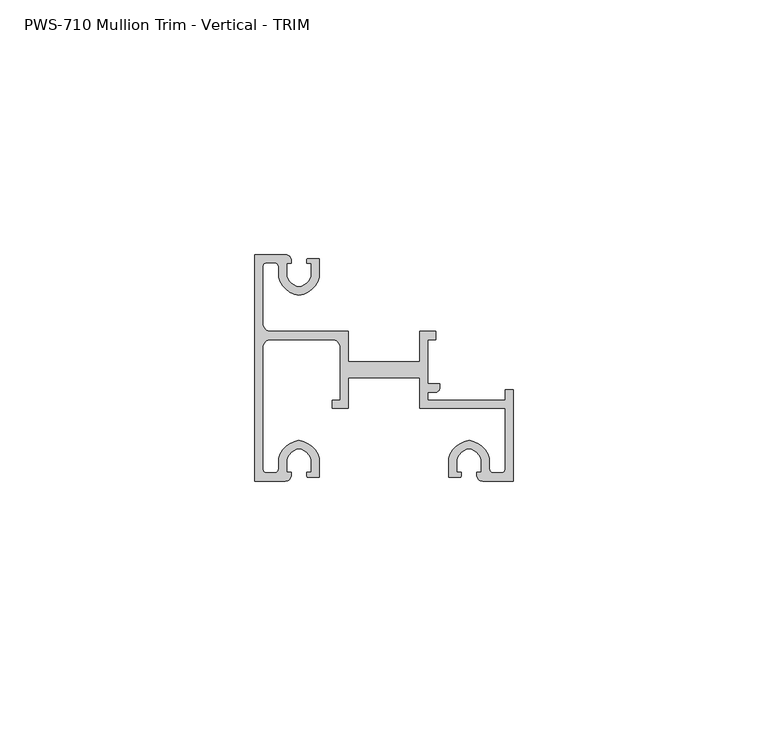
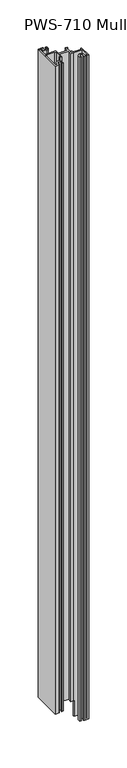
"""IFC4 building model written with IfcOpenShell, lengths in millimetres: proxy geometry, PWS-710 Mullion Trim - Vertical - TRIM."""

import ifcopenshell
import ifcopenshell.guid

model = None  # the IFC model being written
_history = None  # IfcOwnerHistory: only IFC2X3 demands one
_inside = {}  # id of a spatial element -> (the spatial element, [elements in it])
_under = {}  # id of a project, library or spatial element -> (it, [spatial elements below it])
_declared = {}  # id of a project -> (the project, [libraries it declares])
_typed = {}  # id of a type object -> (the type object, [elements of that type])
_made_of = {}  # id of a material, layer set ... -> (it, [elements and type objects made of it])


def new_model(schema):
    """Start an empty IFC model of exactly this schema.

    Asked for "IFC4X3", IfcOpenShell would pick the latest addendum, in which some entities
    have other attributes; the version numbers below select the first issue.
    IFC2X3 requires an IfcOwnerHistory on every rooted entity: one is made here for all.
    """
    global model, _history
    if schema == "IFC4X3":
        model = ifcopenshell.file(schema_version=(4, 3, 0, 0))
    else:
        model = ifcopenshell.file(schema=schema)
    _inside.clear()
    _under.clear()
    _declared.clear()
    _typed.clear()
    _made_of.clear()
    _history = None
    if model.schema == "IFC2X3":
        org = make("IfcOrganization", Name="unknown")
        user = make(
            "IfcPersonAndOrganization",
            ThePerson=make("IfcPerson", FamilyName="unknown"),
            TheOrganization=org,
        )
        app = make(
            "IfcApplication",
            ApplicationDeveloper=org,
            Version="unknown",
            ApplicationFullName="unknown",
            ApplicationIdentifier="unknown",
        )
        _history = make(
            "IfcOwnerHistory",
            OwningUser=user,
            OwningApplication=app,
            ChangeAction="ADDED",
            CreationDate=0,
        )
    return model


def make(cls, **values):
    """One entity of the class cls with the attributes given. An attribute that is None is left unset."""
    return model.create_entity(
        cls, **{name: value for name, value in values.items() if value is not None}
    )


def rooted(cls, **values):
    """An entity with a GlobalId (a new one), such as an element, a storey or a relation."""
    return make(cls, GlobalId=ifcopenshell.guid.new(), OwnerHistory=_history, **values)


def si_unit(unit_type, name, prefix=None):
    """IfcSIUnit, for example si_unit("LENGTHUNIT", "METRE", prefix="MILLI")."""
    return make("IfcSIUnit", UnitType=unit_type, Prefix=prefix, Name=name)


def assignment(units):
    """IfcUnitAssignment: the units of a project."""
    return None if units is None else make("IfcUnitAssignment", Units=units)


def point(xyz):
    """IfcCartesianPoint."""
    return None if xyz is None else make("IfcCartesianPoint", Coordinates=xyz)


def direction(xyz):
    """IfcDirection."""
    return None if xyz is None else make("IfcDirection", DirectionRatios=xyz)


def frame(location, z_axis=None, x_axis=None):
    """IfcAxis2Placement3D, a coordinate frame: its origin and axes. An axis left out is left unset."""
    return make(
        "IfcAxis2Placement3D",
        Location=point(location),
        Axis=direction(z_axis),
        RefDirection=direction(x_axis),
    )


def origin():
    """The frame at (0, 0, 0) with its axes left unset."""
    return frame((0.0, 0.0, 0.0))


def place(relative_to, where):
    """IfcLocalPlacement: puts the frame where relative to a parent placement (None: the world)."""
    return make(
        "IfcLocalPlacement", PlacementRelTo=relative_to, RelativePlacement=where
    )


def context(
    kind, dimensions, precision=None, world=None, true_north=None, identifier=None
):
    """IfcGeometricRepresentationContext, for example the 3D "Model" context."""
    return make(
        "IfcGeometricRepresentationContext",
        ContextIdentifier=identifier,
        ContextType=kind,
        CoordinateSpaceDimension=dimensions,
        Precision=precision,
        WorldCoordinateSystem=world,
        TrueNorth=true_north,
    )


def project(units=None, contexts=None):
    """IfcProject with its units and contexts."""
    return rooted(
        "IfcProject",
        Name="project",
        RepresentationContexts=contexts,
        UnitsInContext=assignment(units),
    )


def spatial(cls, under=None, at=None, **own):
    """A site, building, storey or space (cls), placed at a placement, below another one or the project."""
    s = rooted(cls, ObjectPlacement=at, **own)
    if under is not None:
        _under.setdefault(under.id(), (under, []))[1].append(s)
    return s


def polyline(points):
    """IfcPolyline through the points."""
    return make("IfcPolyline", Points=[point(p) for p in points])


def circle_curve(where, radius):
    """IfcCircle in the frame where."""
    return make("IfcCircle", Position=where, Radius=radius)


def shape(context_of_items, identifier, shape_type, items):
    """IfcShapeRepresentation: the items that make up one representation, for example the "Body"."""
    return make(
        "IfcShapeRepresentation",
        ContextOfItems=context_of_items,
        RepresentationIdentifier=identifier,
        RepresentationType=shape_type,
        Items=items,
    )


def source(mapping_origin, context_of_items, identifier, shape_type, items):
    """IfcRepresentationMap: a shape defined once, which mapped items show again and again."""
    return make(
        "IfcRepresentationMap",
        MappingOrigin=mapping_origin,
        MappedRepresentation=shape(context_of_items, identifier, shape_type, items),
    )


def transform(
    local_origin,
    x_axis=None,
    y_axis=None,
    z_axis=None,
    scale=None,
    scale2=None,
    scale3=None,
    uniform=True,
):
    """IfcCartesianTransformationOperator3D, or its non-uniform kind. x_axis, y_axis, z_axis: its Axis1, 2, 3."""
    if uniform:
        return make(
            "IfcCartesianTransformationOperator3D",
            Axis1=direction(x_axis),
            Axis2=direction(y_axis),
            LocalOrigin=point(local_origin),
            Scale=scale,
            Axis3=direction(z_axis),
        )
    return make(
        "IfcCartesianTransformationOperator3DnonUniform",
        Axis1=direction(x_axis),
        Axis2=direction(y_axis),
        LocalOrigin=point(local_origin),
        Scale=scale,
        Axis3=direction(z_axis),
        Scale2=scale2,
        Scale3=scale3,
    )


def mapped(mapping_source, mapping_target):
    """IfcMappedItem: shows the shape of a source again, moved by a transform."""
    return make(
        "IfcMappedItem", MappingSource=mapping_source, MappingTarget=mapping_target
    )


def made_of(thing, what):
    """Note that an element or type object is made of a material, layer set ...; save() writes the relation."""
    if what is not None:
        _made_of.setdefault(what.id(), (what, []))[1].append(thing)
    return thing


def element(
    cls,
    number,
    at=None,
    inside=None,
    cuts=None,
    type_object=None,
    material=None,
    context=None,
    identifier="Body",
    shape_type=None,
    held_by="IfcProductDefinitionShape",
    body=None,
    shapes=None,
    **own,
):
    """One element of the class cls, such as IfcWall. Its Tag is "e" and its number.

    at: its placement. inside: the storey or other place that contains it. cuts: it is an
    opening in that element (IfcRelVoidsElement). A single representation is given by context,
    identifier, shape_type and body (its items); several are given by shapes. held_by: the class
    of the entity that holds the representations. save() writes the other relations.
    """
    e = rooted(cls, Tag="e%d" % number, ObjectPlacement=at, **own)
    if body is not None:
        shapes = [shape(context, identifier, shape_type, body)]
    if shapes is not None:
        e.Representation = make(held_by, Representations=shapes)
    if inside is not None:
        _inside.setdefault(inside.id(), (inside, []))[1].append(e)
    if cuts is not None:
        rooted(
            "IfcRelVoidsElement", RelatingBuildingElement=cuts, RelatedOpeningElement=e
        )
    if type_object is not None:
        _typed.setdefault(type_object.id(), (type_object, []))[1].append(e)
    return made_of(e, material)


def aggregate(whole, parts):
    """IfcRelAggregates: a whole, such as a stair, and the parts it consists of."""
    return rooted("IfcRelAggregates", RelatingObject=whole, RelatedObjects=parts)


def save(model, path):
    """Write the relations noted so far, then the file.

    IfcRelAggregates (storeys below a building ...), IfcRelContainedInSpatialStructure (elements
    in a storey), IfcRelDefinesByType, IfcRelAssociatesMaterial and IfcRelDeclares: one each for
    every whole, place, type object, material and project.
    """
    for whole, parts in _under.values():
        aggregate(whole, parts)
    for where, things in _inside.values():
        rooted(
            "IfcRelContainedInSpatialStructure",
            RelatedElements=things,
            RelatingStructure=where,
        )
    for kind, things in _typed.values():
        rooted("IfcRelDefinesByType", RelatedObjects=things, RelatingType=kind)
    for what, things in _made_of.values():
        rooted("IfcRelAssociatesMaterial", RelatedObjects=things, RelatingMaterial=what)
    for by, libraries in _declared.values():
        rooted("IfcRelDeclares", RelatingContext=by, RelatedDefinitions=libraries)
    model.write(path)


def plane_surface(at):
    """IfcPlane: the flat surface through the origin of the frame at, square to its z axis."""
    return make("IfcPlane", Position=at)


def cylinder_surface(at, radius):
    """IfcCylindricalSurface: all points at the distance radius from the z axis of the frame at."""
    return make("IfcCylindricalSurface", Position=at, Radius=radius)


def revolved_surface(curve, axis_point, axis_direction):
    """IfcSurfaceOfRevolution: the curve turned about the line through axis_point along axis_direction."""
    return make(
        "IfcSurfaceOfRevolution",
        SweptCurve=make("IfcArbitraryOpenProfileDef", ProfileType="CURVE", Curve=curve),
        AxisPosition=make("IfcAxis1Placement", Location=point(axis_point), Axis=direction(axis_direction)),
    )


def advanced_brep(points, edges, surfaces, faces):
    """IfcAdvancedBrep: a solid bounded by faces that lie on surfaces and meet in shared edges.

    An edge is (start, end): straight between two places in points (the first is 0);
    or (start, end, curve); or (start, end, curve, False) where it runs against its curve.
    A face is (place in surfaces, loops), or (place, loops, False) where it looks against
    its surface's normal. A loop lists edges by number (the first is 1), with a minus sign
    where the edge is run from its end to its start. The first loop is the outer one.
    """
    corners = [point(p) for p in points]
    vertices = [make("IfcVertexPoint", VertexGeometry=c) for c in corners]
    made = []
    for start, end, *more in edges:
        made.append(
            make(
                "IfcEdgeCurve",
                EdgeStart=vertices[start],
                EdgeEnd=vertices[end],
                EdgeGeometry=more[0] if more else make("IfcPolyline", Points=[corners[start], corners[end]]),
                SameSense=more[1] if len(more) > 1 else True,
            )
        )
    hull = []
    for where, loops, *sense in faces:
        bounds = []
        for j, loop in enumerate(loops):
            ring = [make("IfcOrientedEdge", EdgeElement=made[abs(k) - 1], Orientation=k > 0) for k in loop]
            bounds.append(
                make(
                    "IfcFaceOuterBound" if j == 0 else "IfcFaceBound",
                    Bound=make("IfcEdgeLoop", EdgeList=ring),
                    Orientation=True,
                )
            )
        hull.append(make("IfcAdvancedFace", Bounds=bounds, FaceSurface=surfaces[where], SameSense=sense[0] if sense else True))
    return make("IfcAdvancedBrep", Outer=make("IfcClosedShell", CfsFaces=hull))


def pws_710_mullion_trim_vertical_trim_b07599a5(model_context):
    return source(origin(), model_context, "Body", "AdvancedBrep", [
        advanced_brep(
        [(1.5875, 30.95625, 1063.9226562), (1.5875, 42.06748, 1063.9226562), (2.38252, 42.8625, 1063.9226562), (3.90398, 42.8625, 1063.9226562), (4.699, 42.06748, 1063.9226562), (4.699, 40.0142401, 1063.9226562), (8.6995, 36.4914739, 1063.9226562), (12.7, 40.0142401, 1063.9226562), (12.7, 43.688, 1063.9226562), (10.3627194, 43.688, 1063.9226562), (10.2659469, 42.7502912, 1063.9226562), (11.1125, 42.7502912, 1063.9226562), (11.1125, 40.242076, 1063.9226562), (8.6995, 38.1, 1063.9226562), (6.2865, 40.242076, 1063.9226562), (6.2865, 42.7502912, 1063.9226562), (7.1755, 42.7502912, 1063.9226562), (7.1755, 43.5416341, 1063.9226562), (6.0569064, 44.45, 1063.9226562), (0.0, 44.45, 1063.9226562), (0.0, 0.0, 1063.9226562), (6.0569064, 0.0, 1063.9226562), (7.1755, 0.9083659, 1063.9226562), (7.1755, 1.6997088, 1063.9226562), (6.2865, 1.6997088, 1063.9226562), (6.2865, 4.207924, 1063.9226562), (8.6995, 6.35, 1063.9226562), (11.1125, 4.207924, 1063.9226562), (11.1125, 1.6997088, 1063.9226562), (10.2659469, 1.6997088, 1063.9226562), (10.3627194, 0.762, 1063.9226562), (12.7, 0.762, 1063.9226562), (12.7, 4.4357599, 1063.9226562), (8.6995, 7.9585261, 1063.9226562), (4.699, 4.4357599, 1063.9226562), (4.699, 2.38252, 1063.9226562), (3.90398, 1.5875, 1063.9226562), (2.38252, 1.5875, 1063.9226562), (1.5875, 2.38252, 1063.9226562), (1.5875, 26.19375, 1063.9226562), (3.175, 27.78125, 1063.9226562), (15.24, 27.78125, 1063.9226562), (16.8275, 26.19375, 1063.9226562), (16.8275, 15.8792752, 1063.9226562), (15.24, 15.8792752, 1063.9226562), (15.24, 14.2917752, 1063.9226562), (18.415, 14.2917752, 1063.9226562), (18.415, 20.2427626, 1063.9226562), (32.385, 20.2427626, 1063.9226562), (32.385, 14.2917752, 1063.9226562), (35.56, 14.2917752, 1063.9226562), (49.2125, 14.2917752, 1063.9226562), (49.2125, 2.38252, 1063.9226562), (48.41748, 1.5875, 1063.9226562), (46.89602, 1.5875, 1063.9226562), (46.101, 2.38252, 1063.9226562), (46.101, 4.4357599, 1063.9226562), (42.1005, 7.9585261, 1063.9226562), (38.1, 4.4357599, 1063.9226562), (38.1, 0.762, 1063.9226562), (40.4372806, 0.762, 1063.9226562), (40.5340531, 1.6997088, 1063.9226562), (39.6875, 1.6997088, 1063.9226562), (39.6875, 4.207924, 1063.9226562), (42.1005, 6.35, 1063.9226562), (44.5135, 4.207924, 1063.9226562), (44.5135, 1.6997088, 1063.9226562), (43.6245, 1.6997088, 1063.9226562), (43.6245, 0.9083659, 1063.9226562), (44.7430936, 0.0, 1063.9226562), (50.8, 0.0, 1063.9226562), (50.8, 17.907, 1063.9226562), (49.2125, 17.907, 1063.9226562), (49.2125, 15.875, 1063.9226562), (34.76625, 15.875, 1063.9226562), (33.9725, 15.875, 1063.9226562), (33.9725, 17.4625, 1063.9226562), (35.56, 17.4625, 1063.9226562), (36.35502, 18.25752, 1063.9226562), (36.35502, 19.05, 1063.9226562), (33.9725, 19.05, 1063.9226562), (33.9725, 27.78125, 1063.9226562), (35.56, 27.78125, 1063.9226562), (35.56, 29.36875, 1063.9226562), (32.385, 29.36875, 1063.9226562), (32.385, 23.4177626, 1063.9226562), (18.415, 23.4177626, 1063.9226562), (18.415, 29.36875, 1063.9226562), (3.175, 29.36875, 1063.9226562), (49.2125, 15.875, 0.0), (49.2125, 17.907, 0.0), (50.8, 17.907, 0.0), (50.8, 0.0, 0.0), (44.7430936, 0.0, 0.0), (43.6245, 0.9083659, 0.0), (43.6245, 1.6997088, 0.0), (44.5135, 1.6997088, 0.0), (44.5135, 4.207924, 0.0), (42.1005, 6.35, 0.0), (39.6875, 4.207924, 0.0), (39.6875, 1.6997088, 0.0), (40.5340531, 1.6997088, 0.0), (40.4372806, 0.762, 0.0), (38.1, 0.762, 0.0), (38.1, 4.4357599, 0.0), (42.1005, 7.9585261, 0.0), (46.101, 4.4357599, 0.0), (46.101, 2.38252, 0.0), (46.89602, 1.5875, 0.0), (48.41748, 1.5875, 0.0), (49.2125, 2.38252, 0.0), (49.2125, 14.2917752, 0.0), (37.1376502, 14.2917752, 0.0), (37.1376502, 15.875, 0.0), (1.5875, 30.95625, 25.4), (1.5875, 42.06748, 25.4), (2.38252, 42.8625, 25.4), (3.90398, 42.8625, 25.4), (4.699, 42.06748, 25.4), (4.699, 40.0142401, 25.4), (8.6995, 36.4914739, 25.4), (12.7, 40.0142401, 25.4), (12.7, 43.688, 25.4), (10.3627194, 43.688, 25.4), (10.2659469, 42.7502912, 25.4), (11.1125, 42.7502912, 25.4), (11.1125, 40.242076, 25.4), (8.6995, 38.1, 25.4), (6.2865, 40.242076, 25.4), (6.2865, 42.7502912, 25.4), (7.1755, 42.7502912, 25.4), (7.1755, 43.5416341, 25.4), (6.0569064, 44.45, 25.4), (0.0, 44.45, 25.4), (0.0, 0.0, 25.4), (6.0569064, 0.0, 25.4), (7.1755, 0.9083659, 25.4), (7.1755, 1.6997088, 25.4), (6.2865, 1.6997088, 25.4), (6.2865, 4.207924, 25.4), (8.6995, 6.35, 25.4), (11.1125, 4.207924, 25.4), (11.1125, 1.6997088, 25.4), (10.2659469, 1.6997088, 25.4), (10.3627194, 0.762, 25.4), (12.7, 0.762, 25.4), (12.7, 4.4357599, 25.4), (8.6995, 7.9585261, 25.4), (4.699, 4.4357599, 25.4), (4.699, 2.38252, 25.4), (3.90398, 1.5875, 25.4), (2.38252, 1.5875, 25.4), (1.5875, 2.38252, 25.4), (1.5875, 26.19375, 25.4), (3.175, 27.78125, 25.4), (15.24, 27.78125, 25.4), (16.8275, 26.19375, 25.4), (16.8275, 15.8792752, 25.4), (15.24, 15.8792752, 25.4), (15.24, 14.2917752, 25.4), (18.415, 14.2917752, 25.4), (18.415, 20.2427626, 25.4), (32.385, 20.2427626, 25.4), (32.385, 14.2917752, 25.4), (35.56, 14.2917752, 25.4), (37.1376502, 14.2917752, 25.4), (37.1376502, 15.875, 25.4), (34.76625, 15.875, 25.4), (33.9725, 15.875, 25.4), (33.9725, 17.4625, 25.4), (35.56, 17.4625, 25.4), (36.35502, 18.25752, 25.4), (36.35502, 19.05, 25.4), (33.9725, 19.05, 25.4), (33.9725, 27.78125, 25.4), (35.56, 27.78125, 25.4), (35.56, 29.36875, 25.4), (32.385, 29.36875, 25.4), (32.385, 23.4177626, 25.4), (18.415, 23.4177626, 25.4), (18.415, 29.36875, 25.4), (3.175, 29.36875, 25.4)],
        [
            (0, 1),
            (1, 2, circle_curve(frame((2.38252, 42.06748, 1063.9226562), z_axis=(0.0, 0.0, -1.0), x_axis=(-1.0, 1.8160836696718075e-12, 0.0)), 0.79502)),
            (2, 3),
            (3, 4, circle_curve(frame((3.90398, 42.06748, 1063.9226562), z_axis=(0.0, 0.0, -1.0), x_axis=(-1.8302718233411445e-12, 1.0, 0.0)), 0.79502)),
            (4, 5),
            (5, 6, circle_curve(frame((9.3305673, 41.2410159, 1063.9226562), z_axis=(0.0, 0.0, 1.0), x_axis=(0.0, -1.0, 0.0)), 4.7912832)),
            (6, 7, circle_curve(frame((8.0684327, 41.2410159, 1063.9226562), z_axis=(0.0, 0.0, 1.0), x_axis=(0.0, -1.0, 0.0)), 4.7912832)),
            (7, 8),
            (8, 9),
            (9, 10, circle_curve(frame((11.3244879, 43.1148966, 1063.9226562), z_axis=(0.0, 0.0, 1.0), x_axis=(0.0, -1.0, 0.0)), 1.1195742)),
            (10, 11),
            (11, 12),
            (12, 13, circle_curve(frame((8.0684327, 41.2410159, 1063.9226562), z_axis=(0.0, 0.0, -1.0), x_axis=(0.0, -1.0, 0.0)), 3.2037832)),
            (13, 14, circle_curve(frame((9.3305673, 41.2410159, 1063.9226562), z_axis=(0.0, 0.0, -1.0), x_axis=(0.0, -1.0, 0.0)), 3.2037832)),
            (14, 15),
            (15, 16),
            (16, 17),
            (17, 18, circle_curve(frame((6.0569064, 43.3070794, 1063.9226562), z_axis=(0.0, 0.0, 1.0), x_axis=(0.0, -1.0, 0.0)), 1.1429206)),
            (18, 19),
            (19, 20),
            (20, 21),
            (21, 22, circle_curve(frame((6.0569064, 1.1429206, 1063.9226562), z_axis=(0.0, 0.0, 1.0), x_axis=(0.0, 1.0, 0.0)), 1.1429206)),
            (22, 23),
            (23, 24),
            (24, 25),
            (25, 26, circle_curve(frame((9.3305673, 3.2089841, 1063.9226562), z_axis=(0.0, 0.0, -1.0), x_axis=(0.0, 1.0, 0.0)), 3.2037832)),
            (26, 27, circle_curve(frame((8.0684327, 3.2089841, 1063.9226562), z_axis=(0.0, 0.0, -1.0), x_axis=(0.0, 1.0, 0.0)), 3.2037832)),
            (27, 28),
            (28, 29),
            (29, 30, circle_curve(frame((11.3244879, 1.3351034, 1063.9226562), z_axis=(0.0, 0.0, 1.0), x_axis=(0.0, 1.0, 0.0)), 1.1195742)),
            (30, 31),
            (31, 32),
            (32, 33, circle_curve(frame((8.0684327, 3.2089841, 1063.9226562), z_axis=(0.0, 0.0, 1.0), x_axis=(0.0, 1.0, 0.0)), 4.7912832)),
            (33, 34, circle_curve(frame((9.3305673, 3.2089841, 1063.9226562), z_axis=(0.0, 0.0, 1.0), x_axis=(0.0, 1.0, 0.0)), 4.7912832)),
            (34, 35),
            (35, 36, circle_curve(frame((3.90398, 2.38252, 1063.9226562), z_axis=(0.0, 0.0, -1.0), x_axis=(1.0, -1.8160836696718075e-12, 0.0)), 0.79502)),
            (36, 37),
            (37, 38, circle_curve(frame((2.38252, 2.38252, 1063.9226562), z_axis=(0.0, 0.0, -1.0), x_axis=(1.8160836696718075e-12, -1.0, 0.0)), 0.79502)),
            (38, 39),
            (39, 40, circle_curve(frame((3.175, 26.19375, 1063.9226562), z_axis=(0.0, 0.0, -1.0), x_axis=(-1.0, 0.0, 0.0)), 1.5875)),
            (40, 41),
            (41, 42, circle_curve(frame((15.24, 26.19375, 1063.9226562), z_axis=(0.0, 0.0, -1.0), x_axis=(0.0, 1.0, 0.0)), 1.5875)),
            (42, 43),
            (43, 44),
            (44, 45),
            (45, 46),
            (46, 47),
            (47, 48),
            (48, 49),
            (49, 50),
            (50, 51),
            (51, 52),
            (52, 53, circle_curve(frame((48.41748, 2.38252, 1063.9226562), z_axis=(0.0, 0.0, -1.0), x_axis=(1.0, -1.8160836696718075e-12, 0.0)), 0.79502)),
            (53, 54),
            (54, 55, circle_curve(frame((46.89602, 2.38252, 1063.9226562), z_axis=(0.0, 0.0, -1.0), x_axis=(1.8160836696718075e-12, -1.0, 0.0)), 0.79502)),
            (55, 56),
            (56, 57, circle_curve(frame((41.4694327, 3.2089841, 1063.9226562), z_axis=(0.0, 0.0, 1.0), x_axis=(0.0, 1.0, 0.0)), 4.7912832)),
            (57, 58, circle_curve(frame((42.7315673, 3.2089841, 1063.9226562), z_axis=(0.0, 0.0, 1.0), x_axis=(0.0, 1.0, 0.0)), 4.7912832)),
            (58, 59),
            (59, 60),
            (60, 61, circle_curve(frame((39.4755121, 1.3351034, 1063.9226562), z_axis=(0.0, 0.0, 1.0), x_axis=(0.0, 1.0, 0.0)), 1.1195742)),
            (61, 62),
            (62, 63),
            (63, 64, circle_curve(frame((42.7315673, 3.2089841, 1063.9226562), z_axis=(0.0, 0.0, -1.0), x_axis=(0.0, 1.0, 0.0)), 3.2037832)),
            (64, 65, circle_curve(frame((41.4694327, 3.2089841, 1063.9226562), z_axis=(0.0, 0.0, -1.0), x_axis=(0.0, 1.0, 0.0)), 3.2037832)),
            (65, 66),
            (66, 67),
            (67, 68),
            (68, 69, circle_curve(frame((44.7430936, 1.1429206, 1063.9226562), z_axis=(0.0, 0.0, 1.0), x_axis=(0.0, 1.0, 0.0)), 1.1429206)),
            (69, 70),
            (70, 71),
            (71, 72),
            (72, 73),
            (73, 74),
            (74, 75),
            (75, 76),
            (76, 77),
            (77, 78, circle_curve(frame((35.56, 18.25752, 1063.9226562), z_axis=(0.0, 0.0, 1.0), x_axis=(-1.8160836696718075e-12, -1.0, 0.0)), 0.79502)),
            (78, 79),
            (79, 80),
            (80, 81),
            (81, 82),
            (82, 83),
            (83, 84),
            (84, 85),
            (85, 86),
            (86, 87),
            (87, 88),
            (88, 0, circle_curve(frame((3.175, 30.95625, 1063.9226562), z_axis=(0.0, 0.0, -1.0), x_axis=(0.0, -1.0, 0.0)), 1.5875)),
            (89, 90),
            (90, 91),
            (91, 92),
            (92, 93),
            (93, 94, circle_curve(frame((44.7430936, 1.1429206, 0.0), z_axis=(0.0, 0.0, -1.0), x_axis=(0.0, 1.0, 0.0)), 1.1429206)),
            (94, 95),
            (95, 96),
            (96, 97),
            (97, 98, circle_curve(frame((41.4694327, 3.2089841, 0.0), z_axis=(0.0, 0.0, 1.0), x_axis=(0.0, 1.0, 0.0)), 3.2037832)),
            (98, 99, circle_curve(frame((42.7315673, 3.2089841, 0.0), z_axis=(0.0, 0.0, 1.0), x_axis=(0.0, 1.0, 0.0)), 3.2037832)),
            (99, 100),
            (100, 101),
            (101, 102, circle_curve(frame((39.4755121, 1.3351034, 0.0), z_axis=(0.0, 0.0, -1.0), x_axis=(0.0, 1.0, 0.0)), 1.1195742)),
            (102, 103),
            (103, 104),
            (104, 105, circle_curve(frame((42.7315673, 3.2089841, 0.0), z_axis=(0.0, 0.0, -1.0), x_axis=(0.0, 1.0, 0.0)), 4.7912832)),
            (105, 106, circle_curve(frame((41.4694327, 3.2089841, 0.0), z_axis=(0.0, 0.0, -1.0), x_axis=(0.0, 1.0, 0.0)), 4.7912832)),
            (106, 107),
            (107, 108, circle_curve(frame((46.89602, 2.38252, 0.0), z_axis=(0.0, 0.0, 1.0), x_axis=(1.8160836696718075e-12, -1.0, 0.0)), 0.79502)),
            (108, 109),
            (109, 110, circle_curve(frame((48.41748, 2.38252, 0.0), z_axis=(0.0, 0.0, 1.0), x_axis=(1.0, -1.8160836696718075e-12, 0.0)), 0.79502)),
            (110, 111),
            (111, 112),
            (112, 113),
            (113, 89),
            (0, 114),
            (114, 115),
            (115, 1),
            (115, 116, circle_curve(frame((2.38252, 42.06748, 25.4), z_axis=(0.0, 0.0, -1.0), x_axis=(-1.0, 1.8160836696718075e-12, 0.0)), 0.79502)),
            (116, 2),
            (116, 117),
            (117, 3),
            (117, 118, circle_curve(frame((3.90398, 42.06748, 25.4), z_axis=(0.0, 0.0, -1.0), x_axis=(-1.8302718233411445e-12, 1.0, 0.0)), 0.79502)),
            (118, 4),
            (118, 119),
            (119, 5),
            (119, 120, circle_curve(frame((9.3305673, 41.2410159, 25.4), z_axis=(0.0, 0.0, 1.0), x_axis=(0.0, -1.0, 0.0)), 4.7912832)),
            (120, 6),
            (120, 121, circle_curve(frame((8.0684327, 41.2410159, 25.4), z_axis=(0.0, 0.0, 1.0), x_axis=(0.0, -1.0, 0.0)), 4.7912832)),
            (121, 7),
            (121, 122),
            (122, 8),
            (122, 123),
            (123, 9),
            (123, 124, circle_curve(frame((11.3244879, 43.1148966, 25.4), z_axis=(0.0, 0.0, 1.0), x_axis=(0.0, -1.0, 0.0)), 1.1195742)),
            (124, 10),
            (124, 125),
            (125, 11),
            (125, 126),
            (126, 12),
            (126, 127, circle_curve(frame((8.0684327, 41.2410159, 25.4), z_axis=(0.0, 0.0, -1.0), x_axis=(0.0, -1.0, 0.0)), 3.2037832)),
            (127, 13),
            (127, 128, circle_curve(frame((9.3305673, 41.2410159, 25.4), z_axis=(0.0, 0.0, -1.0), x_axis=(0.0, -1.0, 0.0)), 3.2037832)),
            (128, 14),
            (128, 129),
            (129, 15),
            (129, 130),
            (130, 16),
            (130, 131),
            (131, 17),
            (131, 132, circle_curve(frame((6.0569064, 43.3070794, 25.4), z_axis=(0.0, 0.0, 1.0), x_axis=(0.0, -1.0, 0.0)), 1.1429206)),
            (132, 18),
            (132, 133),
            (133, 19),
            (133, 134),
            (134, 20),
            (134, 135),
            (135, 21),
            (135, 136, circle_curve(frame((6.0569064, 1.1429206, 25.4), z_axis=(0.0, 0.0, 1.0), x_axis=(0.0, 1.0, 0.0)), 1.1429206)),
            (136, 22),
            (136, 137),
            (137, 23),
            (137, 138),
            (138, 24),
            (138, 139),
            (139, 25),
            (139, 140, circle_curve(frame((9.3305673, 3.2089841, 25.4), z_axis=(0.0, 0.0, -1.0), x_axis=(0.0, 1.0, 0.0)), 3.2037832)),
            (140, 26),
            (140, 141, circle_curve(frame((8.0684327, 3.2089841, 25.4), z_axis=(0.0, 0.0, -1.0), x_axis=(0.0, 1.0, 0.0)), 3.2037832)),
            (141, 27),
            (141, 142),
            (142, 28),
            (142, 143),
            (143, 29),
            (143, 144, circle_curve(frame((11.3244879, 1.3351034, 25.4), z_axis=(0.0, 0.0, 1.0), x_axis=(0.0, 1.0, 0.0)), 1.1195742)),
            (144, 30),
            (144, 145),
            (145, 31),
            (145, 146),
            (146, 32),
            (146, 147, circle_curve(frame((8.0684327, 3.2089841, 25.4), z_axis=(0.0, 0.0, 1.0), x_axis=(0.0, 1.0, 0.0)), 4.7912832)),
            (147, 33),
            (147, 148, circle_curve(frame((9.3305673, 3.2089841, 25.4), z_axis=(0.0, 0.0, 1.0), x_axis=(0.0, 1.0, 0.0)), 4.7912832)),
            (148, 34),
            (148, 149),
            (149, 35),
            (149, 150, circle_curve(frame((3.90398, 2.38252, 25.4), z_axis=(0.0, 0.0, -1.0), x_axis=(1.0, -1.8160836696718075e-12, 0.0)), 0.79502)),
            (150, 36),
            (150, 151),
            (151, 37),
            (151, 152, circle_curve(frame((2.38252, 2.38252, 25.4), z_axis=(0.0, 0.0, -1.0), x_axis=(1.8160836696718075e-12, -1.0, 0.0)), 0.79502)),
            (152, 38),
            (152, 153),
            (153, 39),
            (153, 154, circle_curve(frame((3.175, 26.19375, 25.4), z_axis=(0.0, 0.0, -1.0), x_axis=(-1.0, 0.0, 0.0)), 1.5875)),
            (154, 40),
            (154, 155),
            (155, 41),
            (155, 156, circle_curve(frame((15.24, 26.19375, 25.4), z_axis=(0.0, 0.0, -1.0), x_axis=(0.0, 1.0, 0.0)), 1.5875)),
            (156, 42),
            (156, 157),
            (157, 43),
            (157, 158),
            (158, 44),
            (158, 159),
            (159, 45),
            (159, 160),
            (160, 46),
            (160, 161),
            (161, 47),
            (161, 162),
            (162, 48),
            (162, 163),
            (163, 49),
            (163, 164),
            (164, 50),
            (164, 165),
            (165, 112),
            (111, 51),
            (110, 52),
            (109, 53),
            (108, 54),
            (107, 55),
            (106, 56),
            (105, 57),
            (104, 58),
            (103, 59),
            (102, 60),
            (101, 61),
            (100, 62),
            (99, 63),
            (98, 64),
            (97, 65),
            (96, 66),
            (95, 67),
            (94, 68),
            (93, 69),
            (92, 70),
            (91, 71),
            (90, 72),
            (89, 73),
            (113, 166),
            (166, 167),
            (167, 74),
            (167, 168),
            (168, 75),
            (168, 169),
            (169, 76),
            (169, 170),
            (170, 77),
            (170, 171, circle_curve(frame((35.56, 18.25752, 25.4), z_axis=(0.0, 0.0, 1.0), x_axis=(-1.8160836696718075e-12, -1.0, 0.0)), 0.79502)),
            (171, 78),
            (171, 172),
            (172, 79),
            (172, 173),
            (173, 80),
            (173, 174),
            (174, 81),
            (174, 175),
            (175, 82),
            (175, 176),
            (176, 83),
            (176, 177),
            (177, 84),
            (177, 178),
            (178, 85),
            (178, 179),
            (179, 86),
            (179, 180),
            (180, 87),
            (180, 181),
            (181, 88),
            (181, 114, circle_curve(frame((3.175, 30.95625, 25.4), z_axis=(0.0, 0.0, -1.0), x_axis=(0.0, -1.0, 0.0)), 1.5875)),
            (165, 166),
        ],
        [
            plane_surface(frame((1.5875, 30.95625, 1063.9226562), z_axis=(0.0, 0.0, 1.0), x_axis=(0.0, 1.0, 0.0))),
            plane_surface(frame((1.5875, 30.95625, 0.0), z_axis=(0.0, 0.0, -1.0), x_axis=(0.0, -1.0, 0.0))),
            plane_surface(frame((1.5875, 30.95625, 1063.9226562), z_axis=(1.0, 0.0, 0.0), x_axis=(0.0, 0.0, -1.0))),
            revolved_surface(polyline([(1.5875, 42.067480000001446, 25.4), (1.5875, 42.067480000001446, 1063.9226562)]), (2.38252, 42.06748, 0.0), (0.0, 0.0, -1.0)),
            plane_surface(frame((2.38252, 42.8625, 1063.9226562), z_axis=(0.0, -1.0, 0.0), x_axis=(0.0, 0.0, -1.0))),
            revolved_surface(polyline([(3.9039799999985445, 42.862500000000004, 25.4), (3.9039799999985445, 42.862500000000004, 1063.9226562)]), (3.90398, 42.06748, 0.0), (0.0, 0.0, -1.0)),
            plane_surface(frame((4.699, 42.06748, 1063.9226562), z_axis=(-1.0, 0.0, 0.0), x_axis=(0.0, 0.0, -1.0))),
            cylinder_surface(frame((9.3305673, 41.2410159, 0.0), z_axis=(0.0, 0.0, 1.0), x_axis=(0.0, -1.0, 0.0)), 4.7912832),
            cylinder_surface(frame((8.0684327, 41.2410159, 0.0), z_axis=(0.0, 0.0, 1.0), x_axis=(0.0, -1.0, 0.0)), 4.7912832),
            plane_surface(frame((12.7, 40.0142401, 1063.9226562), z_axis=(1.0, 0.0, 0.0), x_axis=(0.0, 0.0, -1.0))),
            plane_surface(frame((12.7, 43.688, 1063.9226562), z_axis=(0.0, 1.0, 0.0), x_axis=(0.0, 0.0, -1.0))),
            cylinder_surface(frame((11.3244879, 43.1148966, 0.0), z_axis=(0.0, 0.0, 1.0), x_axis=(0.0, -1.0, 0.0)), 1.1195742),
            plane_surface(frame((10.2659469, 42.7502912, 1063.9226562), z_axis=(0.0, -1.0, 0.0), x_axis=(0.0, 0.0, -1.0))),
            plane_surface(frame((11.1125, 42.7502912, 1063.9226562), z_axis=(-1.0, 0.0, 0.0), x_axis=(0.0, 0.0, -1.0))),
            revolved_surface(polyline([(8.0684327, 38.037232700000004, 25.4), (8.0684327, 38.037232700000004, 1063.9226562)]), (8.0684327, 41.2410159, 0.0), (0.0, 0.0, -1.0)),
            revolved_surface(polyline([(9.3305673, 38.037232700000004, 25.4), (9.3305673, 38.037232700000004, 1063.9226562)]), (9.3305673, 41.2410159, 0.0), (0.0, 0.0, -1.0)),
            plane_surface(frame((6.2865, 40.242076, 1063.9226562), z_axis=(1.0, 0.0, 0.0), x_axis=(0.0, 0.0, -1.0))),
            plane_surface(frame((6.2865, 42.7502912, 1063.9226562), z_axis=(0.0, -1.0, 0.0), x_axis=(0.0, 0.0, -1.0))),
            plane_surface(frame((7.1755, 42.7502912, 1063.9226562), z_axis=(1.0, 0.0, 0.0), x_axis=(0.0, 0.0, -1.0))),
            cylinder_surface(frame((6.0569064, 43.3070794, 0.0), z_axis=(0.0, 0.0, 1.0), x_axis=(0.0, -1.0, 0.0)), 1.1429206),
            plane_surface(frame((6.0569064, 44.45, 1063.9226562), z_axis=(0.0, 1.0, 0.0), x_axis=(0.0, 0.0, -1.0))),
            plane_surface(frame((0.0, 44.45, 1063.9226562), z_axis=(-1.0, 0.0, 0.0), x_axis=(0.0, 0.0, -1.0))),
            plane_surface(frame((0.0, 0.0, 1063.9226562), z_axis=(0.0, -1.0, 0.0), x_axis=(0.0, 0.0, -1.0))),
            cylinder_surface(frame((6.0569064, 1.1429206, 0.0), z_axis=(0.0, 0.0, 1.0), x_axis=(0.0, 1.0, 0.0)), 1.1429206),
            plane_surface(frame((7.1755, 0.9083659, 1063.9226562), z_axis=(1.0, 0.0, 0.0), x_axis=(0.0, 0.0, -1.0))),
            plane_surface(frame((7.1755, 1.6997088, 1063.9226562), z_axis=(0.0, 1.0, 0.0), x_axis=(0.0, 0.0, -1.0))),
            plane_surface(frame((6.2865, 1.6997088, 1063.9226562), z_axis=(1.0, 0.0, 0.0), x_axis=(0.0, 0.0, -1.0))),
            revolved_surface(polyline([(9.3305673, 6.4127673000000005, 25.4), (9.3305673, 6.4127673000000005, 1063.9226562)]), (9.3305673, 3.2089841, 0.0), (0.0, 0.0, -1.0)),
            revolved_surface(polyline([(8.0684327, 6.4127673000000005, 25.4), (8.0684327, 6.4127673000000005, 1063.9226562)]), (8.0684327, 3.2089841, 0.0), (0.0, 0.0, -1.0)),
            plane_surface(frame((11.1125, 4.207924, 1063.9226562), z_axis=(-1.0, 0.0, 0.0), x_axis=(0.0, 0.0, -1.0))),
            plane_surface(frame((11.1125, 1.6997088, 1063.9226562), z_axis=(0.0, 1.0, 0.0), x_axis=(0.0, 0.0, -1.0))),
            cylinder_surface(frame((11.3244879, 1.3351034, 0.0), z_axis=(0.0, 0.0, 1.0), x_axis=(0.0, 1.0, 0.0)), 1.1195742),
            plane_surface(frame((10.3627194, 0.762, 1063.9226562), z_axis=(0.0, -1.0, 0.0), x_axis=(0.0, 0.0, -1.0))),
            plane_surface(frame((12.7, 0.762, 1063.9226562), z_axis=(1.0, 0.0, 0.0), x_axis=(0.0, 0.0, -1.0))),
            cylinder_surface(frame((8.0684327, 3.2089841, 0.0), z_axis=(0.0, 0.0, 1.0), x_axis=(0.0, 1.0, 0.0)), 4.7912832),
            cylinder_surface(frame((9.3305673, 3.2089841, 0.0), z_axis=(0.0, 0.0, 1.0), x_axis=(0.0, 1.0, 0.0)), 4.7912832),
            plane_surface(frame((4.699, 4.4357599, 1063.9226562), z_axis=(-1.0, 0.0, 0.0), x_axis=(0.0, 0.0, -1.0))),
            revolved_surface(polyline([(4.699, 2.3825199999985562, 25.4), (4.699, 2.3825199999985562, 1063.9226562)]), (3.90398, 2.38252, 0.0), (0.0, 0.0, -1.0)),
            plane_surface(frame((3.90398, 1.5875, 1063.9226562), z_axis=(0.0, 1.0, 0.0), x_axis=(0.0, 0.0, -1.0))),
            revolved_surface(polyline([(2.3825200000014437, 1.5875, 25.4), (2.3825200000014437, 1.5875, 1063.9226562)]), (2.38252, 2.38252, 0.0), (0.0, 0.0, -1.0)),
            plane_surface(frame((1.5875, 2.38252, 1063.9226562), z_axis=(1.0, 0.0, 0.0), x_axis=(0.0, 0.0, -1.0))),
            revolved_surface(polyline([(1.5875, 26.19375, 25.4), (1.5875, 26.19375, 1063.9226562)]), (3.175, 26.19375, 0.0), (0.0, 0.0, -1.0)),
            plane_surface(frame((3.175, 27.78125, 1063.9226562), z_axis=(0.0, -1.0, 0.0), x_axis=(0.0, 0.0, -1.0))),
            revolved_surface(polyline([(15.24, 27.78125, 25.4), (15.24, 27.78125, 1063.9226562)]), (15.24, 26.19375, 0.0), (0.0, 0.0, -1.0)),
            plane_surface(frame((16.8275, 26.19375, 1063.9226562), z_axis=(-1.0, 0.0, 0.0), x_axis=(0.0, 0.0, -1.0))),
            plane_surface(frame((16.8275, 15.8792752, 1063.9226562), z_axis=(0.0, 1.0, 0.0), x_axis=(0.0, 0.0, -1.0))),
            plane_surface(frame((15.24, 15.8792752, 1063.9226562), z_axis=(-1.0, 0.0, 0.0), x_axis=(0.0, 0.0, -1.0))),
            plane_surface(frame((15.24, 14.2917752, 1063.9226562), z_axis=(0.0, -1.0, 0.0), x_axis=(0.0, 0.0, -1.0))),
            plane_surface(frame((18.415, 14.2917752, 1063.9226562), z_axis=(1.0, 0.0, 0.0), x_axis=(0.0, 0.0, -1.0))),
            plane_surface(frame((18.415, 20.2427626, 1063.9226562), z_axis=(0.0, -1.0, 0.0), x_axis=(0.0, 0.0, -1.0))),
            plane_surface(frame((32.385, 20.2427626, 1063.9226562), z_axis=(-1.0, 0.0, 0.0), x_axis=(0.0, 0.0, -1.0))),
            plane_surface(frame((32.385, 14.2917752, 1063.9226562), z_axis=(0.0, -1.0, 0.0), x_axis=(0.0, 0.0, -1.0))),
            plane_surface(frame((35.56, 14.2917752, 1063.9226562), z_axis=(0.0, -1.0, 0.0), x_axis=(0.0, 0.0, -1.0))),
            plane_surface(frame((49.2125, 14.2917752, 1063.9226562), z_axis=(-1.0, 0.0, 0.0), x_axis=(0.0, 0.0, -1.0))),
            revolved_surface(polyline([(49.2125, 2.3825199999985562, 0.0), (49.2125, 2.3825199999985562, 1063.9226562)]), (48.41748, 2.38252, 0.0), (0.0, 0.0, -1.0)),
            plane_surface(frame((48.41748, 1.5875, 1063.9226562), z_axis=(0.0, 1.0, 0.0), x_axis=(0.0, 0.0, -1.0))),
            revolved_surface(polyline([(46.89602000000144, 1.5875, 0.0), (46.89602000000144, 1.5875, 1063.9226562)]), (46.89602, 2.38252, 0.0), (0.0, 0.0, -1.0)),
            plane_surface(frame((46.101, 2.38252, 1063.9226562), z_axis=(1.0, 0.0, 0.0), x_axis=(0.0, 0.0, -1.0))),
            cylinder_surface(frame((41.4694327, 3.2089841, 0.0), z_axis=(0.0, 0.0, 1.0), x_axis=(0.0, 1.0, 0.0)), 4.7912832),
            cylinder_surface(frame((42.7315673, 3.2089841, 0.0), z_axis=(0.0, 0.0, 1.0), x_axis=(0.0, 1.0, 0.0)), 4.7912832),
            plane_surface(frame((38.1, 4.4357599, 1063.9226562), z_axis=(-1.0, 0.0, 0.0), x_axis=(0.0, 0.0, -1.0))),
            plane_surface(frame((38.1, 0.762, 1063.9226562), z_axis=(0.0, -1.0, 0.0), x_axis=(0.0, 0.0, -1.0))),
            cylinder_surface(frame((39.4755121, 1.3351034, 0.0), z_axis=(0.0, 0.0, 1.0), x_axis=(0.0, 1.0, 0.0)), 1.1195742),
            plane_surface(frame((40.5340531, 1.6997088, 1063.9226562), z_axis=(0.0, 1.0, 0.0), x_axis=(0.0, 0.0, -1.0))),
            plane_surface(frame((39.6875, 1.6997088, 1063.9226562), z_axis=(1.0, 0.0, 0.0), x_axis=(0.0, 0.0, -1.0))),
            revolved_surface(polyline([(42.7315673, 6.4127673000000005, 0.0), (42.7315673, 6.4127673000000005, 1063.9226562)]), (42.7315673, 3.2089841, 0.0), (0.0, 0.0, -1.0)),
            revolved_surface(polyline([(41.4694327, 6.4127673000000005, 0.0), (41.4694327, 6.4127673000000005, 1063.9226562)]), (41.4694327, 3.2089841, 0.0), (0.0, 0.0, -1.0)),
            plane_surface(frame((44.5135, 4.207924, 1063.9226562), z_axis=(-1.0, 0.0, 0.0), x_axis=(0.0, 0.0, -1.0))),
            plane_surface(frame((44.5135, 1.6997088, 1063.9226562), z_axis=(0.0, 1.0, 0.0), x_axis=(0.0, 0.0, -1.0))),
            plane_surface(frame((43.6245, 1.6997088, 1063.9226562), z_axis=(-1.0, 0.0, 0.0), x_axis=(0.0, 0.0, -1.0))),
            cylinder_surface(frame((44.7430936, 1.1429206, 0.0), z_axis=(0.0, 0.0, 1.0), x_axis=(0.0, 1.0, 0.0)), 1.1429206),
            plane_surface(frame((44.7430936, 0.0, 1063.9226562), z_axis=(0.0, -1.0, 0.0), x_axis=(0.0, 0.0, -1.0))),
            plane_surface(frame((50.8, 0.0, 1063.9226562), z_axis=(1.0, 0.0, 0.0), x_axis=(0.0, 0.0, -1.0))),
            plane_surface(frame((50.8, 17.907, 1063.9226562), z_axis=(0.0, 1.0, 0.0), x_axis=(0.0, 0.0, -1.0))),
            plane_surface(frame((49.2125, 17.907, 1063.9226562), z_axis=(-1.0, 0.0, 0.0), x_axis=(0.0, 0.0, -1.0))),
            plane_surface(frame((49.2125, 15.875, 1063.9226562), z_axis=(0.0, 1.0, 0.0), x_axis=(0.0, 0.0, -1.0))),
            plane_surface(frame((34.76625, 15.875, 1063.9226562), z_axis=(0.0, 1.0, 0.0), x_axis=(0.0, 0.0, -1.0))),
            plane_surface(frame((33.9725, 15.875, 1063.9226562), z_axis=(1.0, 0.0, 0.0), x_axis=(0.0, 0.0, -1.0))),
            plane_surface(frame((33.9725, 17.4625, 1063.9226562), z_axis=(0.0, -1.0, 0.0), x_axis=(0.0, 0.0, -1.0))),
            cylinder_surface(frame((35.56, 18.25752, 0.0), z_axis=(0.0, 0.0, 1.0), x_axis=(-1.8160836696718075e-12, -1.0, 0.0)), 0.79502),
            plane_surface(frame((36.35502, 18.25752, 1063.9226562), z_axis=(1.0, 0.0, 0.0), x_axis=(0.0, 0.0, -1.0))),
            plane_surface(frame((36.35502, 19.05, 1063.9226562), z_axis=(0.0, 1.0, 0.0), x_axis=(0.0, 0.0, -1.0))),
            plane_surface(frame((33.9725, 19.05, 1063.9226562), z_axis=(1.0, 0.0, 0.0), x_axis=(0.0, 0.0, -1.0))),
            plane_surface(frame((33.9725, 27.78125, 1063.9226562), z_axis=(0.0, -1.0, 0.0), x_axis=(0.0, 0.0, -1.0))),
            plane_surface(frame((35.56, 27.78125, 1063.9226562), z_axis=(1.0, 0.0, 0.0), x_axis=(0.0, 0.0, -1.0))),
            plane_surface(frame((35.56, 29.36875, 1063.9226562), z_axis=(0.0, 1.0, 0.0), x_axis=(0.0, 0.0, -1.0))),
            plane_surface(frame((32.385, 29.36875, 1063.9226562), z_axis=(-1.0, 0.0, 0.0), x_axis=(0.0, 0.0, -1.0))),
            plane_surface(frame((32.385, 23.4177626, 1063.9226562), z_axis=(0.0, 1.0, 0.0), x_axis=(0.0, 0.0, -1.0))),
            plane_surface(frame((18.415, 23.4177626, 1063.9226562), z_axis=(1.0, 0.0, 0.0), x_axis=(0.0, 0.0, -1.0))),
            plane_surface(frame((18.415, 29.36875, 1063.9226562), z_axis=(0.0, 1.0, 0.0), x_axis=(0.0, 0.0, -1.0))),
            revolved_surface(polyline([(3.175, 29.368750000000002, 25.4), (3.175, 29.368750000000002, 1063.9226562)]), (3.175, 30.95625, 0.0), (0.0, 0.0, -1.0)),
            plane_surface(frame((37.1376502, 0.0, 25.4), z_axis=(-1.0, 0.0, 0.0), x_axis=(0.0, -1.0, 0.0))),
            plane_surface(frame((37.1376502, 44.45, 25.4), z_axis=(0.0, 0.0, -1.0), x_axis=(-1.0, 0.0, 0.0))),
        ],
        [
            (0, [[1, 2, 3, 4, 5, 6, 7, 8, 9, 10, 11, 12, 13, 14, 15, 16, 17, 18, 19, 20, 21, 22, 23, 24, 25, 26, 27, 28, 29, 30, 31, 32, 33, 34, 35, 36, 37, 38, 39, 40, 41, 42, 43, 44, 45, 46, 47, 48, 49, 50, 51, 52, 53, 54, 55, 56, 57, 58, 59, 60, 61, 62, 63, 64, 65, 66, 67, 68, 69, 70, 71, 72, 73, 74, 75, 76, 77, 78, 79, 80, 81, 82, 83, 84, 85, 86, 87, 88, 89]]),
            (1, [[90, 91, 92, 93, 94, 95, 96, 97, 98, 99, 100, 101, 102, 103, 104, 105, 106, 107, 108, 109, 110, 111, 112, 113, 114]]),
            (2, [[-1, 115, 116, 117]]),
            (3, [[-2, -117, 118, 119]]),
            (4, [[-3, -119, 120, 121]]),
            (5, [[-4, -121, 122, 123]]),
            (6, [[-5, -123, 124, 125]]),
            (7, [[-6, -125, 126, 127]]),
            (8, [[-7, -127, 128, 129]]),
            (9, [[-8, -129, 130, 131]]),
            (10, [[-9, -131, 132, 133]]),
            (11, [[-10, -133, 134, 135]]),
            (12, [[-11, -135, 136, 137]]),
            (13, [[-12, -137, 138, 139]]),
            (14, [[-13, -139, 140, 141]]),
            (15, [[-14, -141, 142, 143]]),
            (16, [[-15, -143, 144, 145]]),
            (17, [[-16, -145, 146, 147]]),
            (18, [[-17, -147, 148, 149]]),
            (19, [[-18, -149, 150, 151]]),
            (20, [[-19, -151, 152, 153]]),
            (21, [[-20, -153, 154, 155]]),
            (22, [[-21, -155, 156, 157]]),
            (23, [[-22, -157, 158, 159]]),
            (24, [[-23, -159, 160, 161]]),
            (25, [[-24, -161, 162, 163]]),
            (26, [[-25, -163, 164, 165]]),
            (27, [[-26, -165, 166, 167]]),
            (28, [[-27, -167, 168, 169]]),
            (29, [[-28, -169, 170, 171]]),
            (30, [[-29, -171, 172, 173]]),
            (31, [[-30, -173, 174, 175]]),
            (32, [[-31, -175, 176, 177]]),
            (33, [[-32, -177, 178, 179]]),
            (34, [[-33, -179, 180, 181]]),
            (35, [[-34, -181, 182, 183]]),
            (36, [[-35, -183, 184, 185]]),
            (37, [[-36, -185, 186, 187]]),
            (38, [[-37, -187, 188, 189]]),
            (39, [[-38, -189, 190, 191]]),
            (40, [[-39, -191, 192, 193]]),
            (41, [[-40, -193, 194, 195]]),
            (42, [[-41, -195, 196, 197]]),
            (43, [[-42, -197, 198, 199]]),
            (44, [[-43, -199, 200, 201]]),
            (45, [[-44, -201, 202, 203]]),
            (46, [[-45, -203, 204, 205]]),
            (47, [[-46, -205, 206, 207]]),
            (48, [[-47, -207, 208, 209]]),
            (49, [[-48, -209, 210, 211]]),
            (50, [[-49, -211, 212, 213]]),
            (51, [[-50, -213, 214, 215]]),
            (52, [[-51, -215, 216, 217, -112, 218]]),
            (53, [[-52, -218, -111, 219]]),
            (54, [[-53, -219, -110, 220]]),
            (55, [[-54, -220, -109, 221]]),
            (56, [[-55, -221, -108, 222]]),
            (57, [[-56, -222, -107, 223]]),
            (58, [[-57, -223, -106, 224]]),
            (59, [[-58, -224, -105, 225]]),
            (60, [[-59, -225, -104, 226]]),
            (61, [[-60, -226, -103, 227]]),
            (62, [[-61, -227, -102, 228]]),
            (63, [[-62, -228, -101, 229]]),
            (64, [[-63, -229, -100, 230]]),
            (65, [[-64, -230, -99, 231]]),
            (66, [[-65, -231, -98, 232]]),
            (67, [[-66, -232, -97, 233]]),
            (68, [[-67, -233, -96, 234]]),
            (69, [[-68, -234, -95, 235]]),
            (70, [[-69, -235, -94, 236]]),
            (71, [[-70, -236, -93, 237]]),
            (72, [[-71, -237, -92, 238]]),
            (73, [[-72, -238, -91, 239]]),
            (74, [[-73, -239, -90, 240]]),
            (75, [[-74, -240, -114, 241, 242, 243]]),
            (76, [[-75, -243, 244, 245]]),
            (77, [[-76, -245, 246, 247]]),
            (78, [[-77, -247, 248, 249]]),
            (79, [[-78, -249, 250, 251]]),
            (80, [[-79, -251, 252, 253]]),
            (81, [[-80, -253, 254, 255]]),
            (82, [[-81, -255, 256, 257]]),
            (83, [[-82, -257, 258, 259]]),
            (84, [[-83, -259, 260, 261]]),
            (85, [[-84, -261, 262, 263]]),
            (86, [[-85, -263, 264, 265]]),
            (87, [[-86, -265, 266, 267]]),
            (88, [[-87, -267, 268, 269]]),
            (89, [[-88, -269, 270, 271]]),
            (90, [[-89, -271, 272, -115]]),
            (91, [[273, -241, -113, -217]]),
            (92, [[-273, -216, -214, -212, -210, -208, -206, -204, -202, -200, -198, -196, -194, -192, -190, -188, -186, -184, -182, -180, -178, -176, -174, -172, -170, -168, -166, -164, -162, -160, -158, -156, -154, -152, -150, -148, -146, -144, -142, -140, -138, -136, -134, -132, -130, -128, -126, -124, -122, -120, -118, -116, -272, -270, -268, -266, -264, -262, -260, -258, -256, -254, -252, -250, -248, -246, -244, -242]]),
        ],
    ),
    ])


if __name__ == "__main__":
    model = new_model("IFC4")
    model_context = context("Model", 3, world=origin())
    ifc_project = project(units=[si_unit("LENGTHUNIT", "METRE", prefix="MILLI")], contexts=[model_context])
    site = spatial("IfcSite", under=ifc_project)
    building = spatial("IfcBuilding", under=site)
    placement = place(None, origin())
    pws_710_mullion_trim_vertical_trim_shape = pws_710_mullion_trim_vertical_trim_b07599a5(model_context)
    element("IfcBuildingElementProxy", 1, Name="PWS-710 Mullion Trim - Vertical - TRIM", ObjectType="PWS-710 Mullion Trim - Vertical - TRIM", at=placement, inside=building, context=model_context, shape_type="MappedRepresentation", body=[
        mapped(pws_710_mullion_trim_vertical_trim_shape, transform((0.0, 0.0, 0.0), x_axis=(1.0, 0.0, 0.0), y_axis=(0.0, 1.0, 0.0), z_axis=(0.0, 0.0, 1.0))),
    ])
    save(model, "model.ifc")
